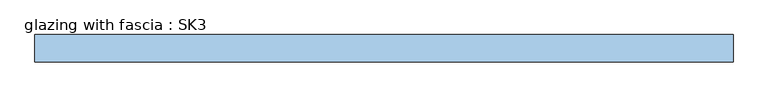
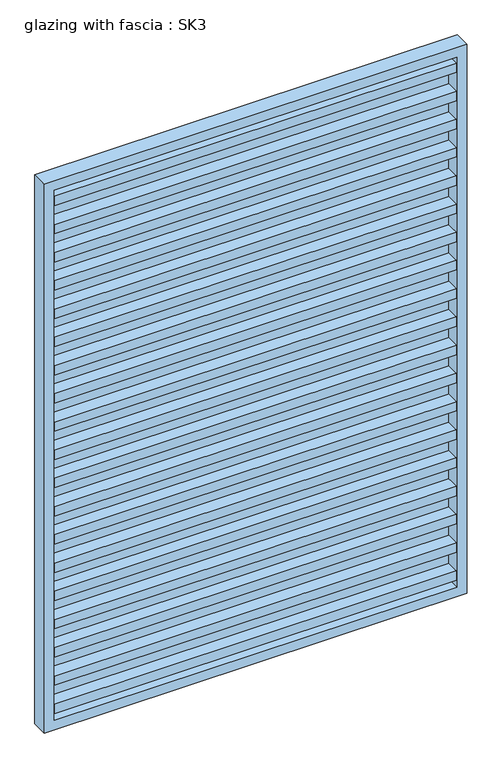
"""IFC4 building model written with IfcOpenShell, lengths in millimetres: window geometry, glazing with fascia : SK3."""

from ifc_helpers import new_model, si_unit, frame, origin, place, context, project, spatial, polyline, outline, extrude, source, transform, mapped, element, save


def glazing_with_fascia_sk3_9ae1e16a(model_context):
    return source(origin(), model_context, "Body", "SweptSolid", [
        extrude(outline(polyline([(607.5, -0.1334055), (607.5, -8.1334055), (-607.5, -8.1334055), (-607.5, -0.1334055), (607.5, -0.1334055)])), frame((0.0, 0.0, 30.0), z_axis=(0.0, 0.0, 1.0), x_axis=(1.0, 0.0, 0.0)), (0.0, 0.0, 1.0), 1690.0),
        extrude(outline(polyline([(1750.0, -637.5), (0.0, -637.5), (0.0, 637.5), (1750.0, 637.5), (1750.0, -637.5)]), holes=[polyline([(1720.0, -607.5), (1720.0, 607.5), (30.0, 607.5), (30.0, -607.5), (1720.0, -607.5)])]), frame((0.0, -50.0, 0.0), z_axis=(0.0, 1.0, 0.0), x_axis=(0.0, 0.0, 1.0)), (0.0, 0.0, 1.0), 50.0),
        extrude(outline(polyline([(-607.5, -48.1334055), (-607.5, -8.1334055), (607.5, -8.1334055), (607.5, -48.1334055), (-607.5, -48.1334055)])), frame((0.0, 0.0, 1580.4), z_axis=(0.0, 0.0, 1.0), x_axis=(1.0, 0.0, 0.0)), (0.0, 0.0, 1.0), 30.0),
        extrude(outline(polyline([(-607.5, -48.1334055), (-607.5, -8.1334055), (607.5, -8.1334055), (607.5, -48.1334055), (-607.5, -48.1334055)])), frame((0.0, 0.0, 1490.4), z_axis=(0.0, 0.0, 1.0), x_axis=(1.0, 0.0, 0.0)), (0.0, 0.0, 1.0), 30.0),
        extrude(outline(polyline([(-607.5, -48.1334055), (-607.5, -8.1334055), (607.5, -8.1334055), (607.5, -48.1334055), (-607.5, -48.1334055)])), frame((0.0, 0.0, 1400.4), z_axis=(0.0, 0.0, 1.0), x_axis=(1.0, 0.0, 0.0)), (0.0, 0.0, 1.0), 30.0),
        extrude(outline(polyline([(-607.5, -48.1334055), (-607.5, -8.1334055), (607.5, -8.1334055), (607.5, -48.1334055), (-607.5, -48.1334055)])), frame((0.0, 0.0, 1310.4), z_axis=(0.0, 0.0, 1.0), x_axis=(1.0, 0.0, 0.0)), (0.0, 0.0, 1.0), 30.0),
        extrude(outline(polyline([(-607.5, -48.1334055), (-607.5, -8.1334055), (607.5, -8.1334055), (607.5, -48.1334055), (-607.5, -48.1334055)])), frame((0.0, 0.0, 1220.4), z_axis=(0.0, 0.0, 1.0), x_axis=(1.0, 0.0, 0.0)), (0.0, 0.0, 1.0), 30.0),
        extrude(outline(polyline([(-607.5, -48.1334055), (-607.5, -8.1334055), (607.5, -8.1334055), (607.5, -48.1334055), (-607.5, -48.1334055)])), frame((0.0, 0.0, 1130.4), z_axis=(0.0, 0.0, 1.0), x_axis=(1.0, 0.0, 0.0)), (0.0, 0.0, 1.0), 30.0),
        extrude(outline(polyline([(-607.5, -48.1334055), (-607.5, -8.1334055), (607.5, -8.1334055), (607.5, -48.1334055), (-607.5, -48.1334055)])), frame((0.0, 0.0, 1040.4), z_axis=(0.0, 0.0, 1.0), x_axis=(1.0, 0.0, 0.0)), (0.0, 0.0, 1.0), 30.0),
        extrude(outline(polyline([(-607.5, -48.1334055), (-607.5, -8.1334055), (607.5, -8.1334055), (607.5, -48.1334055), (-607.5, -48.1334055)])), frame((0.0, 0.0, 950.4), z_axis=(0.0, 0.0, 1.0), x_axis=(1.0, 0.0, 0.0)), (0.0, 0.0, 1.0), 30.0),
        extrude(outline(polyline([(-607.5, -48.1334055), (-607.5, -8.1334055), (607.5, -8.1334055), (607.5, -48.1334055), (-607.5, -48.1334055)])), frame((0.0, 0.0, 860.4), z_axis=(0.0, 0.0, 1.0), x_axis=(1.0, 0.0, 0.0)), (0.0, 0.0, 1.0), 30.0),
        extrude(outline(polyline([(-607.5, -48.1334055), (-607.5, -8.1334055), (607.5, -8.1334055), (607.5, -48.1334055), (-607.5, -48.1334055)])), frame((0.0, 0.0, 770.4), z_axis=(0.0, 0.0, 1.0), x_axis=(1.0, 0.0, 0.0)), (0.0, 0.0, 1.0), 30.0),
        extrude(outline(polyline([(-607.5, -48.1334055), (-607.5, -8.1334055), (607.5, -8.1334055), (607.5, -48.1334055), (-607.5, -48.1334055)])), frame((0.0, 0.0, 680.4), z_axis=(0.0, 0.0, 1.0), x_axis=(1.0, 0.0, 0.0)), (0.0, 0.0, 1.0), 30.0),
        extrude(outline(polyline([(-607.5, -48.1334055), (-607.5, -8.1334055), (607.5, -8.1334055), (607.5, -48.1334055), (-607.5, -48.1334055)])), frame((0.0, 0.0, 590.4), z_axis=(0.0, 0.0, 1.0), x_axis=(1.0, 0.0, 0.0)), (0.0, 0.0, 1.0), 30.0),
        extrude(outline(polyline([(-607.5, -48.1334055), (-607.5, -8.1334055), (607.5, -8.1334055), (607.5, -48.1334055), (-607.5, -48.1334055)])), frame((0.0, 0.0, 500.4), z_axis=(0.0, 0.0, 1.0), x_axis=(1.0, 0.0, 0.0)), (0.0, 0.0, 1.0), 30.0),
        extrude(outline(polyline([(-607.5, -48.1334055), (-607.5, -8.1334055), (607.5, -8.1334055), (607.5, -48.1334055), (-607.5, -48.1334055)])), frame((0.0, 0.0, 410.4), z_axis=(0.0, 0.0, 1.0), x_axis=(1.0, 0.0, 0.0)), (0.0, 0.0, 1.0), 30.0),
        extrude(outline(polyline([(-607.5, -48.1334055), (-607.5, -8.1334055), (607.5, -8.1334055), (607.5, -48.1334055), (-607.5, -48.1334055)])), frame((0.0, 0.0, 320.4), z_axis=(0.0, 0.0, 1.0), x_axis=(1.0, 0.0, 0.0)), (0.0, 0.0, 1.0), 30.0),
        extrude(outline(polyline([(-607.5, -48.1334055), (-607.5, -8.1334055), (607.5, -8.1334055), (607.5, -48.1334055), (-607.5, -48.1334055)])), frame((0.0, 0.0, 230.4), z_axis=(0.0, 0.0, 1.0), x_axis=(1.0, 0.0, 0.0)), (0.0, 0.0, 1.0), 30.0),
        extrude(outline(polyline([(-607.5, -48.1334055), (-607.5, -8.1334055), (607.5, -8.1334055), (607.5, -48.1334055), (-607.5, -48.1334055)])), frame((0.0, 0.0, 140.4), z_axis=(0.0, 0.0, 1.0), x_axis=(1.0, 0.0, 0.0)), (0.0, 0.0, 1.0), 30.0),
        extrude(outline(polyline([(-607.5, -48.1334055), (-607.5, -8.1334055), (607.5, -8.1334055), (607.5, -48.1334055), (-607.5, -48.1334055)])), frame((0.0, 0.0, 50.4), z_axis=(0.0, 0.0, 1.0), x_axis=(1.0, 0.0, 0.0)), (0.0, 0.0, 1.0), 30.0),
        extrude(outline(polyline([(-607.5, -48.1334055), (-607.5, -8.1334055), (607.5, -8.1334055), (607.5, -48.1334055), (-607.5, -48.1334055)])), frame((0.0, 0.0, 1670.0), z_axis=(0.0, 0.0, 1.0), x_axis=(1.0, 0.0, 0.0)), (0.0, 0.0, 1.0), 30.0),
    ])


if __name__ == "__main__":
    model = new_model("IFC4")
    model_context = context("Model", 3, world=origin())
    ifc_project = project(units=[si_unit("LENGTHUNIT", "METRE", prefix="MILLI")], contexts=[model_context])
    site = spatial("IfcSite", under=ifc_project)
    building = spatial("IfcBuilding", under=site)
    placement = place(None, origin())
    glazing_with_fascia_sk3_shape = glazing_with_fascia_sk3_9ae1e16a(model_context)
    element("IfcWindow", 1, ObjectType="glazing with fascia : SK3", at=placement, inside=building, context=model_context, shape_type="MappedRepresentation", body=[
        mapped(glazing_with_fascia_sk3_shape, transform((0.0, 0.0, 0.0), x_axis=(1.0, 0.0, 0.0), y_axis=(0.0, 1.0, 0.0), z_axis=(0.0, 0.0, 1.0))),
    ])
    save(model, "model.ifc")
